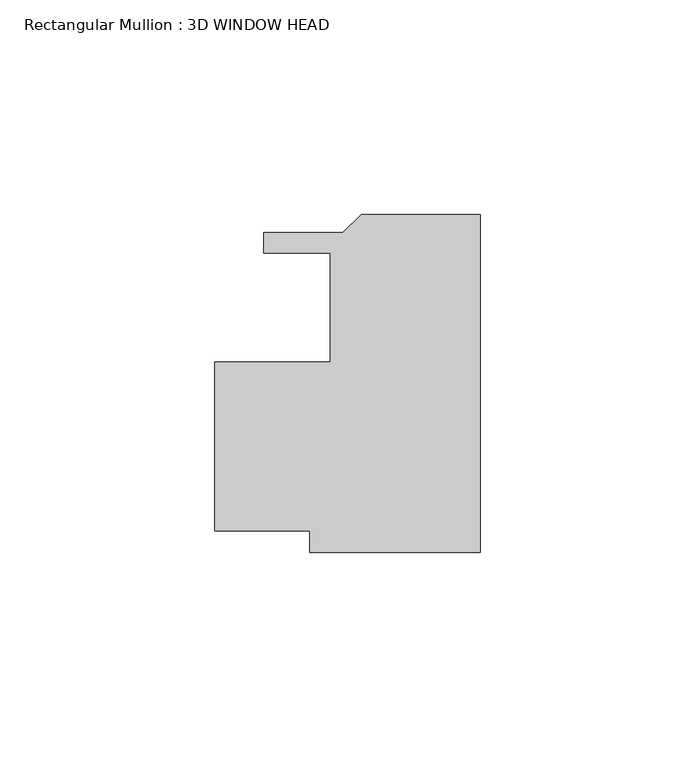
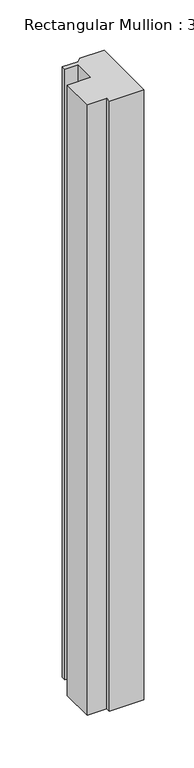
"""IFC4 building model written with IfcOpenShell, lengths in millimetres: member geometry, Rectangular Mullion : 3D WINDOW HEAD."""

import ifcopenshell
import ifcopenshell.guid

model = None  # the IFC model being written
_history = None  # IfcOwnerHistory: only IFC2X3 demands one
_inside = {}  # id of a spatial element -> (the spatial element, [elements in it])
_under = {}  # id of a project, library or spatial element -> (it, [spatial elements below it])
_declared = {}  # id of a project -> (the project, [libraries it declares])
_typed = {}  # id of a type object -> (the type object, [elements of that type])
_made_of = {}  # id of a material, layer set ... -> (it, [elements and type objects made of it])


def new_model(schema):
    """Start an empty IFC model of exactly this schema.

    Asked for "IFC4X3", IfcOpenShell would pick the latest addendum, in which some entities
    have other attributes; the version numbers below select the first issue.
    IFC2X3 requires an IfcOwnerHistory on every rooted entity: one is made here for all.
    """
    global model, _history
    if schema == "IFC4X3":
        model = ifcopenshell.file(schema_version=(4, 3, 0, 0))
    else:
        model = ifcopenshell.file(schema=schema)
    _inside.clear()
    _under.clear()
    _declared.clear()
    _typed.clear()
    _made_of.clear()
    _history = None
    if model.schema == "IFC2X3":
        org = make("IfcOrganization", Name="unknown")
        user = make(
            "IfcPersonAndOrganization",
            ThePerson=make("IfcPerson", FamilyName="unknown"),
            TheOrganization=org,
        )
        app = make(
            "IfcApplication",
            ApplicationDeveloper=org,
            Version="unknown",
            ApplicationFullName="unknown",
            ApplicationIdentifier="unknown",
        )
        _history = make(
            "IfcOwnerHistory",
            OwningUser=user,
            OwningApplication=app,
            ChangeAction="ADDED",
            CreationDate=0,
        )
    return model


def make(cls, **values):
    """One entity of the class cls with the attributes given. An attribute that is None is left unset."""
    return model.create_entity(
        cls, **{name: value for name, value in values.items() if value is not None}
    )


def rooted(cls, **values):
    """An entity with a GlobalId (a new one), such as an element, a storey or a relation."""
    return make(cls, GlobalId=ifcopenshell.guid.new(), OwnerHistory=_history, **values)


def si_unit(unit_type, name, prefix=None):
    """IfcSIUnit, for example si_unit("LENGTHUNIT", "METRE", prefix="MILLI")."""
    return make("IfcSIUnit", UnitType=unit_type, Prefix=prefix, Name=name)


def assignment(units):
    """IfcUnitAssignment: the units of a project."""
    return None if units is None else make("IfcUnitAssignment", Units=units)


def point(xyz):
    """IfcCartesianPoint."""
    return None if xyz is None else make("IfcCartesianPoint", Coordinates=xyz)


def direction(xyz):
    """IfcDirection."""
    return None if xyz is None else make("IfcDirection", DirectionRatios=xyz)


def frame(location, z_axis=None, x_axis=None):
    """IfcAxis2Placement3D, a coordinate frame: its origin and axes. An axis left out is left unset."""
    return make(
        "IfcAxis2Placement3D",
        Location=point(location),
        Axis=direction(z_axis),
        RefDirection=direction(x_axis),
    )


def origin():
    """The frame at (0, 0, 0) with its axes left unset."""
    return frame((0.0, 0.0, 0.0))


def place(relative_to, where):
    """IfcLocalPlacement: puts the frame where relative to a parent placement (None: the world)."""
    return make(
        "IfcLocalPlacement", PlacementRelTo=relative_to, RelativePlacement=where
    )


def context(
    kind, dimensions, precision=None, world=None, true_north=None, identifier=None
):
    """IfcGeometricRepresentationContext, for example the 3D "Model" context."""
    return make(
        "IfcGeometricRepresentationContext",
        ContextIdentifier=identifier,
        ContextType=kind,
        CoordinateSpaceDimension=dimensions,
        Precision=precision,
        WorldCoordinateSystem=world,
        TrueNorth=true_north,
    )


def project(units=None, contexts=None):
    """IfcProject with its units and contexts."""
    return rooted(
        "IfcProject",
        Name="project",
        RepresentationContexts=contexts,
        UnitsInContext=assignment(units),
    )


def spatial(cls, under=None, at=None, **own):
    """A site, building, storey or space (cls), placed at a placement, below another one or the project."""
    s = rooted(cls, ObjectPlacement=at, **own)
    if under is not None:
        _under.setdefault(under.id(), (under, []))[1].append(s)
    return s


def polyline(points):
    """IfcPolyline through the points."""
    return make("IfcPolyline", Points=[point(p) for p in points])


def outline(outer, holes=None, kind="AREA"):
    """IfcArbitraryClosedProfileDef: a profile drawn as a closed curve; with holes, ...WithVoids."""
    if holes is None:
        return make("IfcArbitraryClosedProfileDef", ProfileType=kind, OuterCurve=outer)
    return make(
        "IfcArbitraryProfileDefWithVoids",
        ProfileType=kind,
        OuterCurve=outer,
        InnerCurves=holes,
    )


def extrude(swept, where, along, depth):
    """IfcExtrudedAreaSolid: the profile swept, set in the frame where, extruded along a direction by depth."""
    return make(
        "IfcExtrudedAreaSolid",
        SweptArea=swept,
        Position=where,
        ExtrudedDirection=direction(along),
        Depth=depth,
    )


def shape(context_of_items, identifier, shape_type, items):
    """IfcShapeRepresentation: the items that make up one representation, for example the "Body"."""
    return make(
        "IfcShapeRepresentation",
        ContextOfItems=context_of_items,
        RepresentationIdentifier=identifier,
        RepresentationType=shape_type,
        Items=items,
    )


def source(mapping_origin, context_of_items, identifier, shape_type, items):
    """IfcRepresentationMap: a shape defined once, which mapped items show again and again."""
    return make(
        "IfcRepresentationMap",
        MappingOrigin=mapping_origin,
        MappedRepresentation=shape(context_of_items, identifier, shape_type, items),
    )


def transform(
    local_origin,
    x_axis=None,
    y_axis=None,
    z_axis=None,
    scale=None,
    scale2=None,
    scale3=None,
    uniform=True,
):
    """IfcCartesianTransformationOperator3D, or its non-uniform kind. x_axis, y_axis, z_axis: its Axis1, 2, 3."""
    if uniform:
        return make(
            "IfcCartesianTransformationOperator3D",
            Axis1=direction(x_axis),
            Axis2=direction(y_axis),
            LocalOrigin=point(local_origin),
            Scale=scale,
            Axis3=direction(z_axis),
        )
    return make(
        "IfcCartesianTransformationOperator3DnonUniform",
        Axis1=direction(x_axis),
        Axis2=direction(y_axis),
        LocalOrigin=point(local_origin),
        Scale=scale,
        Axis3=direction(z_axis),
        Scale2=scale2,
        Scale3=scale3,
    )


def mapped(mapping_source, mapping_target):
    """IfcMappedItem: shows the shape of a source again, moved by a transform."""
    return make(
        "IfcMappedItem", MappingSource=mapping_source, MappingTarget=mapping_target
    )


def made_of(thing, what):
    """Note that an element or type object is made of a material, layer set ...; save() writes the relation."""
    if what is not None:
        _made_of.setdefault(what.id(), (what, []))[1].append(thing)
    return thing


def element(
    cls,
    number,
    at=None,
    inside=None,
    cuts=None,
    type_object=None,
    material=None,
    context=None,
    identifier="Body",
    shape_type=None,
    held_by="IfcProductDefinitionShape",
    body=None,
    shapes=None,
    **own,
):
    """One element of the class cls, such as IfcWall. Its Tag is "e" and its number.

    at: its placement. inside: the storey or other place that contains it. cuts: it is an
    opening in that element (IfcRelVoidsElement). A single representation is given by context,
    identifier, shape_type and body (its items); several are given by shapes. held_by: the class
    of the entity that holds the representations. save() writes the other relations.
    """
    e = rooted(cls, Tag="e%d" % number, ObjectPlacement=at, **own)
    if body is not None:
        shapes = [shape(context, identifier, shape_type, body)]
    if shapes is not None:
        e.Representation = make(held_by, Representations=shapes)
    if inside is not None:
        _inside.setdefault(inside.id(), (inside, []))[1].append(e)
    if cuts is not None:
        rooted(
            "IfcRelVoidsElement", RelatingBuildingElement=cuts, RelatedOpeningElement=e
        )
    if type_object is not None:
        _typed.setdefault(type_object.id(), (type_object, []))[1].append(e)
    return made_of(e, material)


def aggregate(whole, parts):
    """IfcRelAggregates: a whole, such as a stair, and the parts it consists of."""
    return rooted("IfcRelAggregates", RelatingObject=whole, RelatedObjects=parts)


def save(model, path):
    """Write the relations noted so far, then the file.

    IfcRelAggregates (storeys below a building ...), IfcRelContainedInSpatialStructure (elements
    in a storey), IfcRelDefinesByType, IfcRelAssociatesMaterial and IfcRelDeclares: one each for
    every whole, place, type object, material and project.
    """
    for whole, parts in _under.values():
        aggregate(whole, parts)
    for where, things in _inside.values():
        rooted(
            "IfcRelContainedInSpatialStructure",
            RelatedElements=things,
            RelatingStructure=where,
        )
    for kind, things in _typed.values():
        rooted("IfcRelDefinesByType", RelatedObjects=things, RelatingType=kind)
    for what, things in _made_of.values():
        rooted("IfcRelAssociatesMaterial", RelatedObjects=things, RelatingMaterial=what)
    for by, libraries in _declared.values():
        rooted("IfcRelDeclares", RelatingContext=by, RelatedDefinitions=libraries)
    model.write(path)


def rectangular_mullion_3d_window_head_1844c6e8(model_context):
    return source(origin(), model_context, "Body", "SweptSolid", [
        extrude(outline(polyline([(0.0, -57.138783), (-39.7006057, -57.138783), (-39.7006057, -52.0588038), (-61.9070923, -52.0588038), (-61.9070923, -12.6888037), (-34.9381058, -12.6888037), (-34.9381058, 12.7111961), (-50.4207418, 12.7111961), (-50.4207418, 17.4101962), (-32.0567475, 17.4101962), (-27.7895475, 21.6773962), (0.0, 21.6773962), (0.0, -57.138783)])), frame((0.0, 0.0, -741.6625586), z_axis=(0.0, 0.0, 1.0), x_axis=(1.0, 0.0, 0.0)), (0.0, 0.0, 1.0), 741.6625586),
    ])


if __name__ == "__main__":
    model = new_model("IFC4")
    model_context = context("Model", 3, world=origin())
    ifc_project = project(units=[si_unit("LENGTHUNIT", "METRE", prefix="MILLI")], contexts=[model_context])
    site = spatial("IfcSite", under=ifc_project)
    building = spatial("IfcBuilding", under=site)
    placement = place(None, origin())
    rectangular_mullion_3d_window_head_shape = rectangular_mullion_3d_window_head_1844c6e8(model_context)
    element("IfcMember", 1, ObjectType="Rectangular Mullion : 3D WINDOW HEAD", at=placement, inside=building, context=model_context, shape_type="MappedRepresentation", body=[
        mapped(rectangular_mullion_3d_window_head_shape, transform((0.0, 0.0, 0.0), x_axis=(1.0, 0.0, 0.0), y_axis=(0.0, 1.0, 0.0), z_axis=(0.0, 0.0, 1.0))),
    ])
    save(model, "model.ifc")
